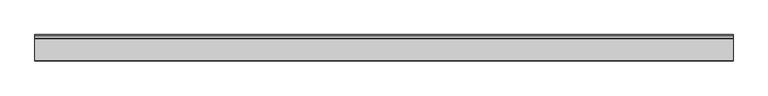
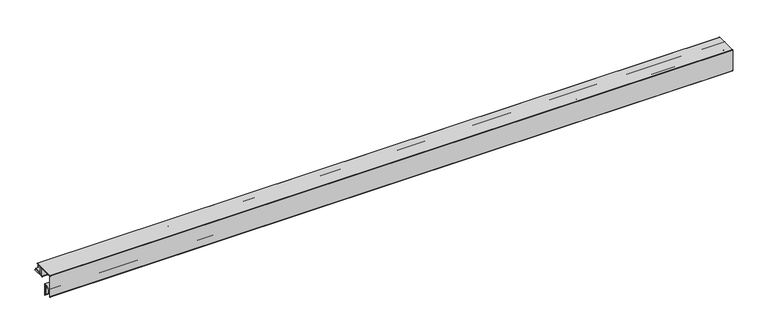
"""IFC4 building model written with IfcOpenShell, lengths in millimetres: proxy geometry."""

from ifc_helpers import new_model, si_unit, point, frame, frame_2d, origin, place, context, project, spatial, polyline, circle_curve, trimmed, segment, composite_curve, outline, extrude, source, transform, mapped, element, save


def specialty_equipment_a4815614(model_context):
    return source(origin(), model_context, "Body", "SweptSolid", [
        extrude(outline(polyline([(1.185893, -1.524), (20.1266941, -1.524), (20.1266941, -3.5559998), (3.217893, -3.5559998), (3.217893, -26.2745159), (38.904893, -26.2745159), (38.904893, -28.3065158), (1.185893, -28.3065158), (1.185893, -1.524)])), frame((0.0, 0.0, 0.0), z_axis=(1.0, 0.0, 0.0), x_axis=(0.0, 1.0, 0.0)), (0.0, 0.0, 1.0), 3111.5),
        extrude(outline(composite_curve([segment(polyline([(-9.6911579, 2.2475773), (-9.6911579, -34.4808227)]), True, "CONTINUOUS"), segment(trimmed(circle_curve(frame_2d((-8.8783579, -34.4808227)), 0.8128), [point((-9.6911579, -34.4808227))], [point((-8.8783579, -35.2936227))], True, "CARTESIAN"), True, "CONTINUOUS"), segment(polyline([(-8.8783579, -35.2936227), (44.2838421, -35.2936227), (44.2838421, -36.1064227), (-8.8783579, -36.1064227)]), True, "CONTINUOUS"), segment(trimmed(circle_curve(frame_2d((-8.8783579, -34.4808227)), 1.6256), [point((-8.8783579, -36.1064227))], [point((-10.5039579, -34.4808227))], False, "CARTESIAN"), True, "CONTINUOUS"), segment(polyline([(-10.5039579, -34.4808227), (-10.5039579, 4.6859773), (-73.1911579, 4.6859773), (-73.1911579, -58.0012227), (-31.6972456, -58.0012227), (-31.6972456, -112.7890227), (-32.5100456, -112.7890227), (-32.5100456, -58.8140227), (-71.5655579, -58.8140227), (-71.5655579, -94.8820227)]), True, "CONTINUOUS"), segment(trimmed(circle_curve(frame_2d((-72.7847579, -94.8820227)), 1.2192), [point((-71.5655579, -94.8820227))], [point((-74.0039579, -94.8820227))], False, "CARTESIAN"), True, "CONTINUOUS"), segment(polyline([(-74.0039579, -94.8820227), (-74.0039579, 3.8731773)]), True, "CONTINUOUS"), segment(trimmed(circle_curve(frame_2d((-72.3783579, 3.8731773)), 1.6256), [point((-74.0039579, 3.8731773))], [point((-72.3783579, 5.4987773))], False, "CARTESIAN"), True, "CONTINUOUS"), segment(polyline([(-72.3783579, 5.4987773), (26.3768421, 5.4987773)]), True, "CONTINUOUS"), segment(trimmed(circle_curve(frame_2d((26.3768421, 4.2795773)), 1.2192), [point((26.3768421, 5.4987773))], [point((26.3768421, 3.0603773))], False, "CARTESIAN"), True, "CONTINUOUS"), segment(polyline([(26.3768421, 3.0603773), (-8.8783579, 3.0603773)]), True, "CONTINUOUS"), segment(trimmed(circle_curve(frame_2d((-8.8783579, 2.2475773)), 0.8128), [point((-8.8783579, 3.0603773))], [point((-9.6911579, 2.2475773))], True, "CARTESIAN"), True, "CONTINUOUS")], self_intersect=False)), frame((0.0, 0.0, 0.0), z_axis=(1.0, 0.0, 0.0), x_axis=(0.0, 1.0, 0.0)), (0.0, 0.0, 1.0), 3111.5),
        extrude(outline(polyline([(-39.4430797, -102.2326729), (-41.4750797, -102.2326729), (-41.4750797, -66.5456729), (-64.2828415, -66.5456729), (-64.2828415, -83.5662562), (-66.3148414, -83.5662562), (-66.3148414, -64.513673), (-39.4430797, -64.513673), (-39.4430797, -102.2326729)])), frame((0.0, 0.0, 0.0), z_axis=(1.0, 0.0, 0.0), x_axis=(0.0, 1.0, 0.0)), (0.0, 0.0, 1.0), 3111.5),
    ])


if __name__ == "__main__":
    model = new_model("IFC4")
    model_context = context("Model", 3, world=origin())
    ifc_project = project(units=[si_unit("LENGTHUNIT", "METRE", prefix="MILLI")], contexts=[model_context])
    site = spatial("IfcSite", under=ifc_project)
    building = spatial("IfcBuilding", under=site)
    placement = place(None, origin())
    specialty_equipment_shape = specialty_equipment_a4815614(model_context)
    element("IfcBuildingElementProxy", 1, Name="Specialty Equipment", at=placement, inside=building, context=model_context, shape_type="MappedRepresentation", body=[
        mapped(specialty_equipment_shape, transform((0.0, 0.0, 0.0), x_axis=(1.0, 0.0, 0.0), y_axis=(0.0, 1.0, 0.0), z_axis=(0.0, 0.0, 1.0))),
    ])
    save(model, "model.ifc")
